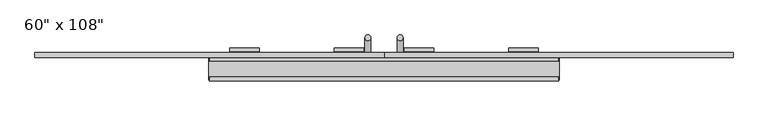
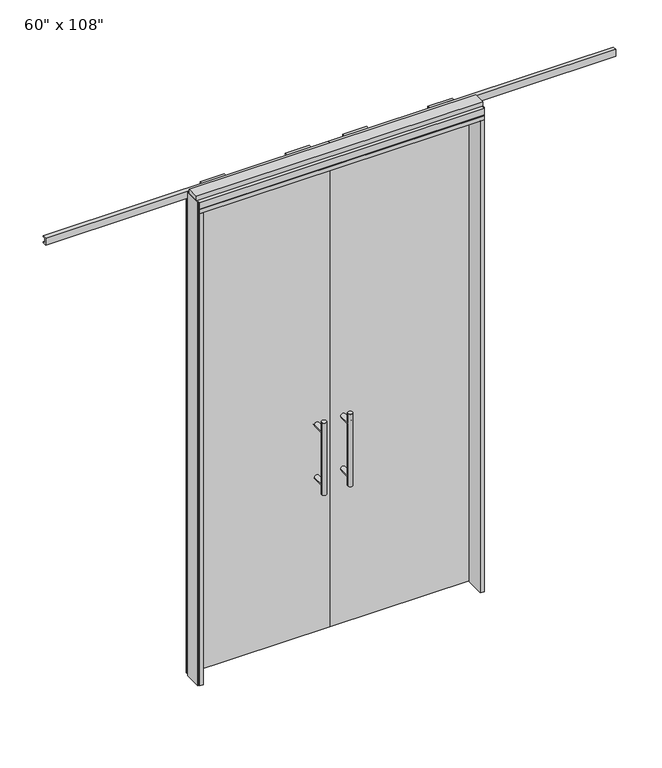
"""IFC4 building model written with IfcOpenShell, lengths in millimetres: furniture geometry."""

from ifc_helpers import new_model, si_unit, frame, origin, origin_with_axes, place, context, project, spatial, polyline, circle_curve, ellipse_curve, outline, extrude, source, transform, mapped, element, save
from ifc_brep_helpers import plane_surface, cylinder_surface, advanced_brep


def furniture_30efc96c(model_context):
    return source(origin(), model_context, "Body", "SolidModel", [
        extrude(outline(polyline([(-818.0995229, 74.3677216), (-60.0365229, 74.3677216), (-60.0365229, 64.2077216), (-818.0995229, 64.2077216), (-818.0995229, 74.3677216)])), origin_with_axes(), (0.0, 0.0, 1.0), 2670.81),
        advanced_brep(
        [(-117.3135229, -3.3562784, 1219.2), (-142.7135229, -3.3562784, 1219.2), (-117.3135229, -3.3562784, 812.8), (-142.7135229, -3.3562784, 812.8), (-142.7135229, -3.3562784, 1164.336), (-142.7135229, -3.3562784, 867.664), (-117.3135229, -3.3562784, 867.664), (-117.3135229, -3.3562784, 1164.336), (-117.3135229, 64.2077216, 1164.336), (-142.7135229, 64.2077216, 1164.336), (-117.3135229, 64.2077216, 867.664), (-142.7135229, 64.2077216, 867.664)],
        [
            (0, 1, circle_curve(frame((-130.0135229, -3.3562784, 1219.2), z_axis=(0.0, 0.0, 1.0), x_axis=(-1.0, 0.0, 0.0)), 12.7)),
            (1, 0, circle_curve(frame((-130.0135229, -3.3562784, 1219.2), z_axis=(0.0, 0.0, 1.0), x_axis=(-1.0, 0.0, 0.0)), 12.7)),
            (2, 3, circle_curve(frame((-130.0135229, -3.3562784, 812.8), z_axis=(0.0, 0.0, -1.0), x_axis=(-1.0, 0.0, 0.0)), 12.7)),
            (3, 2, circle_curve(frame((-130.0135229, -3.3562784, 812.8), z_axis=(0.0, 0.0, -1.0), x_axis=(-1.0, 0.0, 0.0)), 12.7)),
            (1, 4),
            (4, 5),
            (5, 3),
            (2, 6),
            (6, 7),
            (7, 0),
            (7, 4, ellipse_curve(frame((-130.0135229, -3.3562784, 1164.336), z_axis=(0.0, -0.707106781186565, 0.70710678118653), x_axis=(0.0, 0.70710678118653, 0.707106781186565)), 17.9605122, 12.7)),
            (6, 5, ellipse_curve(frame((-130.0135229, -3.3562784, 867.664), z_axis=(0.0, -0.707106781186565, 0.70710678118653), x_axis=(0.0, 0.70710678118653, 0.707106781186565)), 17.9605122, 12.7)),
            (4, 7, ellipse_curve(frame((-130.0135229, -3.3562784, 1164.336), z_axis=(0.0, -0.70710678118653, -0.7071067811865649), x_axis=(0.0, -0.7071067811865648, 0.7071067811865301)), 17.9605122, 12.7)),
            (5, 6, ellipse_curve(frame((-130.0135229, -3.3562784, 867.664), z_axis=(0.0, -0.70710678118653, -0.7071067811865649), x_axis=(0.0, -0.7071067811865648, 0.7071067811865301)), 17.9605122, 12.7)),
            (8, 9, circle_curve(frame((-130.0135229, 64.2077216, 1164.336), z_axis=(0.0, 1.0, 0.0), x_axis=(-1.0, 0.0, 0.0)), 12.7)),
            (9, 8, circle_curve(frame((-130.0135229, 64.2077216, 1164.336), z_axis=(0.0, 1.0, 0.0), x_axis=(-1.0, 0.0, 0.0)), 12.7)),
            (8, 7),
            (4, 9),
            (10, 11, circle_curve(frame((-130.0135229, 64.2077216, 867.664), z_axis=(0.0, 1.0, 0.0), x_axis=(-1.0, 0.0, 0.0)), 12.7)),
            (11, 10, circle_curve(frame((-130.0135229, 64.2077216, 867.664), z_axis=(0.0, 1.0, 0.0), x_axis=(-1.0, 0.0, 0.0)), 12.7)),
            (10, 6),
            (5, 11),
        ],
        [
            plane_surface(frame((-142.7135229, -3.3562784, 1219.2), z_axis=(0.0, 0.0, 1.0), x_axis=(0.0, 1.0, 0.0))),
            plane_surface(frame((-142.7135229, -3.3562784, 812.8), z_axis=(0.0, 0.0, -1.0), x_axis=(0.0, -1.0, 0.0))),
            cylinder_surface(frame((-130.0135229, -3.3562784, 812.8), z_axis=(0.0, 0.0, 1.0), x_axis=(-1.0, 0.0, 0.0)), 12.7),
            plane_surface(frame((-142.7135229, 64.2077216, 1164.336), z_axis=(0.0, 1.0, 0.0), x_axis=(0.0, 0.0, -1.0))),
            cylinder_surface(frame((-130.0135229, 64.2077216, 1164.336), z_axis=(0.0, -1.0, 0.0), x_axis=(-1.0, 0.0, 0.0)), 12.7),
            plane_surface(frame((-142.7135229, 64.2077216, 867.664), z_axis=(0.0, 1.0, 0.0), x_axis=(0.0, 0.0, -1.0))),
            cylinder_surface(frame((-130.0135229, 64.2077216, 867.664), z_axis=(0.0, -1.0, 0.0), x_axis=(-1.0, 0.0, 0.0)), 12.7),
        ],
        [
            (0, [[1, 2]]),
            (1, [[3, 4]]),
            (2, [[5, 6, 7, -3, 8, 9, 10, -2]]),
            (2, [[-10, 11, -5, -1]]),
            (2, [[-9, 12, -6, 13]]),
            (2, [[-7, 14, -8, -4]]),
            (3, [[15, 16]]),
            (4, [[17, -13, 18, -15]]),
            (4, [[-18, -11, -17, -16]]),
            (5, [[19, 20]]),
            (6, [[21, -14, 22, -19]]),
            (6, [[-22, -12, -21, -20]]),
        ],
    ),
        advanced_brep(
        [(-117.3135229, 141.9317216, 1219.2), (-142.7135229, 141.9317216, 1219.2), (-117.3135229, 141.9317216, 812.8), (-142.7135229, 141.9317216, 812.8), (-117.3135229, 141.9317216, 1164.336), (-117.3135229, 141.9317216, 867.664), (-142.7135229, 141.9317216, 867.664), (-142.7135229, 141.9317216, 1164.336), (-117.3135229, 74.3677216, 1164.336), (-142.7135229, 74.3677216, 1164.336), (-117.3135229, 74.3677216, 867.664), (-142.7135229, 74.3677216, 867.664)],
        [
            (0, 1, circle_curve(frame((-130.0135229, 141.9317216, 1219.2), z_axis=(0.0, 0.0, 1.0), x_axis=(-1.0, 0.0, 0.0)), 12.7)),
            (1, 0, circle_curve(frame((-130.0135229, 141.9317216, 1219.2), z_axis=(0.0, 0.0, 1.0), x_axis=(-1.0, 0.0, 0.0)), 12.7)),
            (2, 3, circle_curve(frame((-130.0135229, 141.9317216, 812.8), z_axis=(0.0, 0.0, -1.0), x_axis=(-1.0, 0.0, 0.0)), 12.7)),
            (3, 2, circle_curve(frame((-130.0135229, 141.9317216, 812.8), z_axis=(0.0, 0.0, -1.0), x_axis=(-1.0, 0.0, 0.0)), 12.7)),
            (0, 4),
            (4, 5),
            (5, 2),
            (3, 6),
            (6, 7),
            (7, 1),
            (7, 4, ellipse_curve(frame((-130.0135229, 141.9317216, 1164.336), z_axis=(0.0, 0.707106781186565, 0.70710678118653), x_axis=(0.0, -0.70710678118653, 0.707106781186565)), 17.9605122, 12.7)),
            (5, 6, ellipse_curve(frame((-130.0135229, 141.9317216, 867.664), z_axis=(0.0, 0.70710678118653, -0.7071067811865649), x_axis=(0.0, 0.7071067811865648, 0.7071067811865301)), 17.9605122, 12.7)),
            (4, 7, ellipse_curve(frame((-130.0135229, 141.9317216, 1164.336), z_axis=(0.0, 0.70710678118653, -0.7071067811865649), x_axis=(0.0, 0.7071067811865648, 0.7071067811865301)), 17.9605122, 12.7)),
            (6, 5, ellipse_curve(frame((-130.0135229, 141.9317216, 867.664), z_axis=(0.0, 0.707106781186565, 0.70710678118653), x_axis=(0.0, -0.70710678118653, 0.707106781186565)), 17.9605122, 12.7)),
            (8, 9, circle_curve(frame((-130.0135229, 74.3677216, 1164.336), z_axis=(0.0, -1.0, 0.0), x_axis=(-1.0, 0.0, 0.0)), 12.7)),
            (9, 8, circle_curve(frame((-130.0135229, 74.3677216, 1164.336), z_axis=(0.0, -1.0, 0.0), x_axis=(-1.0, 0.0, 0.0)), 12.7)),
            (9, 7),
            (4, 8),
            (10, 11, circle_curve(frame((-130.0135229, 74.3677216, 867.664), z_axis=(0.0, -1.0, 0.0), x_axis=(-1.0, 0.0, 0.0)), 12.7)),
            (11, 10, circle_curve(frame((-130.0135229, 74.3677216, 867.664), z_axis=(0.0, -1.0, 0.0), x_axis=(-1.0, 0.0, 0.0)), 12.7)),
            (11, 6),
            (5, 10),
        ],
        [
            plane_surface(frame((-142.7135229, 141.9317216, 1219.2), z_axis=(0.0, 0.0, 1.0), x_axis=(0.0, -1.0, 0.0))),
            plane_surface(frame((-142.7135229, 141.9317216, 812.8), z_axis=(0.0, 0.0, -1.0), x_axis=(0.0, 1.0, 0.0))),
            cylinder_surface(frame((-130.0135229, 141.9317216, 812.8), z_axis=(0.0, 0.0, 1.0), x_axis=(-1.0, 0.0, 0.0)), 12.7),
            plane_surface(frame((-142.7135229, 74.3677216, 1164.336), z_axis=(0.0, -1.0, 0.0), x_axis=(0.0, 0.0, -1.0))),
            cylinder_surface(frame((-130.0135229, 74.3677216, 1164.336), z_axis=(0.0, 1.0, 0.0), x_axis=(-1.0, 0.0, 0.0)), 12.7),
            plane_surface(frame((-142.7135229, 74.3677216, 867.664), z_axis=(0.0, -1.0, 0.0), x_axis=(0.0, 0.0, -1.0))),
            cylinder_surface(frame((-130.0135229, 74.3677216, 867.664), z_axis=(0.0, 1.0, 0.0), x_axis=(-1.0, 0.0, 0.0)), 12.7),
        ],
        [
            (0, [[1, 2]]),
            (1, [[3, 4]]),
            (2, [[-1, 5, 6, 7, -4, 8, 9, 10]]),
            (2, [[-2, -10, 11, -5]]),
            (2, [[-3, -7, 12, -8]]),
            (2, [[13, -9, 14, -6]]),
            (3, [[15, 16]]),
            (4, [[-16, 17, -13, 18]]),
            (4, [[-15, -18, -11, -17]]),
            (5, [[19, 20]]),
            (6, [[-20, 21, -12, 22]]),
            (6, [[-19, -22, -14, -21]]),
        ],
    ),
        extrude(outline(polyline([(63.1282216, 2628.9), (59.5722216, 2628.9), (59.5722216, 2676.779), (82.1782216, 2676.779), (82.1782216, 2717.8), (97.6722216, 2717.8), (97.6722216, 2628.9), (75.4472216, 2628.9), (75.4472216, 2670.81), (63.1282216, 2670.81), (63.1282216, 2628.9)])), frame((-276.3175229, 0.0, 0.0), z_axis=(1.0, 0.0, 0.0), x_axis=(0.0, 1.0, 0.0)), (0.0, 0.0, 1.0), 128.016),
        extrude(outline(polyline([(63.1282216, 2628.9), (59.5722216, 2628.9), (59.5722216, 2676.779), (82.1782216, 2676.779), (82.1782216, 2717.8), (97.6722216, 2717.8), (97.6722216, 2628.9), (75.4472216, 2628.9), (75.4472216, 2670.81), (63.1282216, 2670.81), (63.1282216, 2628.9)])), frame((-729.8345229, 0.0, 0.0), z_axis=(1.0, 0.0, 0.0), x_axis=(0.0, 1.0, 0.0)), (0.0, 0.0, 1.0), 128.016),
        extrude(outline(polyline([(77.9237216, 2681.478), (56.2067216, 2681.478), (56.2067216, 2721.102), (77.9237216, 2721.102), (77.9237216, 2715.768), (65.2237216, 2715.768), (65.2237216, 2686.812), (77.9237216, 2686.812), (77.9237216, 2681.478)])), frame((-1576.1625229, 0.0, 0.0), z_axis=(1.0, 0.0, 0.0), x_axis=(0.0, 1.0, 0.0)), (0.0, 0.0, 1.0), 1516.126),
        extrude(outline(polyline([(698.0264771, 74.3677216), (698.0264771, 64.2077216), (-60.0365229, 64.2077216), (-60.0365229, 74.3677216), (698.0264771, 74.3677216)])), origin_with_axes(), (0.0, 0.0, 1.0), 2670.81),
        advanced_brep(
        [(-2.7595229, -3.3562784, 1219.2), (22.6404771, -3.3562784, 1219.2), (-2.7595229, -3.3562784, 812.8), (22.6404771, -3.3562784, 812.8), (-2.7595229, -3.3562784, 1164.336), (-2.7595229, -3.3562784, 867.664), (22.6404771, -3.3562784, 867.664), (22.6404771, -3.3562784, 1164.336), (-2.7595229, 64.2077216, 1164.336), (22.6404771, 64.2077216, 1164.336), (-2.7595229, 64.2077216, 867.664), (22.6404771, 64.2077216, 867.664)],
        [
            (0, 1, circle_curve(frame((9.9404771, -3.3562784, 1219.2), z_axis=(0.0, 0.0, 1.0), x_axis=(1.0, 0.0, 0.0)), 12.7)),
            (1, 0, circle_curve(frame((9.9404771, -3.3562784, 1219.2), z_axis=(0.0, 0.0, 1.0), x_axis=(1.0, 0.0, 0.0)), 12.7)),
            (2, 3, circle_curve(frame((9.9404771, -3.3562784, 812.8), z_axis=(0.0, 0.0, -1.0), x_axis=(1.0, 0.0, 0.0)), 12.7)),
            (3, 2, circle_curve(frame((9.9404771, -3.3562784, 812.8), z_axis=(0.0, 0.0, -1.0), x_axis=(1.0, 0.0, 0.0)), 12.7)),
            (0, 4),
            (4, 5),
            (5, 2),
            (3, 6),
            (6, 7),
            (7, 1),
            (7, 4, ellipse_curve(frame((9.9404771, -3.3562784, 1164.336), z_axis=(0.0, -0.707106781186565, 0.70710678118653), x_axis=(0.0, 0.70710678118653, 0.707106781186565)), 17.9605122, 12.7)),
            (5, 6, ellipse_curve(frame((9.9404771, -3.3562784, 867.664), z_axis=(0.0, -0.70710678118653, -0.7071067811865649), x_axis=(0.0, -0.7071067811865648, 0.7071067811865301)), 17.9605122, 12.7)),
            (4, 7, ellipse_curve(frame((9.9404771, -3.3562784, 1164.336), z_axis=(0.0, -0.70710678118653, -0.7071067811865649), x_axis=(0.0, -0.7071067811865648, 0.7071067811865301)), 17.9605122, 12.7)),
            (6, 5, ellipse_curve(frame((9.9404771, -3.3562784, 867.664), z_axis=(0.0, -0.707106781186565, 0.70710678118653), x_axis=(0.0, 0.70710678118653, 0.707106781186565)), 17.9605122, 12.7)),
            (8, 9, circle_curve(frame((9.9404771, 64.2077216, 1164.336), z_axis=(0.0, 1.0, 0.0), x_axis=(1.0, 0.0, 0.0)), 12.7)),
            (9, 8, circle_curve(frame((9.9404771, 64.2077216, 1164.336), z_axis=(0.0, 1.0, 0.0), x_axis=(1.0, 0.0, 0.0)), 12.7)),
            (9, 7),
            (4, 8),
            (10, 11, circle_curve(frame((9.9404771, 64.2077216, 867.664), z_axis=(0.0, 1.0, 0.0), x_axis=(1.0, 0.0, 0.0)), 12.7)),
            (11, 10, circle_curve(frame((9.9404771, 64.2077216, 867.664), z_axis=(0.0, 1.0, 0.0), x_axis=(1.0, 0.0, 0.0)), 12.7)),
            (11, 6),
            (5, 10),
        ],
        [
            plane_surface(frame((22.6404771, -3.3562784, 1219.2), z_axis=(0.0, 0.0, 1.0), x_axis=(0.0, 1.0, 0.0))),
            plane_surface(frame((22.6404771, -3.3562784, 812.8), z_axis=(0.0, 0.0, -1.0), x_axis=(0.0, -1.0, 0.0))),
            cylinder_surface(frame((9.9404771, -3.3562784, 812.8), z_axis=(0.0, 0.0, 1.0), x_axis=(1.0, 0.0, 0.0)), 12.7),
            plane_surface(frame((22.6404771, 64.2077216, 1164.336), z_axis=(0.0, 1.0, 0.0), x_axis=(0.0, 0.0, -1.0))),
            cylinder_surface(frame((9.9404771, 64.2077216, 1164.336), z_axis=(0.0, -1.0, 0.0), x_axis=(1.0, 0.0, 0.0)), 12.7),
            plane_surface(frame((22.6404771, 64.2077216, 867.664), z_axis=(0.0, 1.0, 0.0), x_axis=(0.0, 0.0, -1.0))),
            cylinder_surface(frame((9.9404771, 64.2077216, 867.664), z_axis=(0.0, -1.0, 0.0), x_axis=(1.0, 0.0, 0.0)), 12.7),
        ],
        [
            (0, [[1, 2]]),
            (1, [[3, 4]]),
            (2, [[-1, 5, 6, 7, -4, 8, 9, 10]]),
            (2, [[-2, -10, 11, -5]]),
            (2, [[-3, -7, 12, -8]]),
            (2, [[13, -9, 14, -6]]),
            (3, [[15, 16]]),
            (4, [[-16, 17, -13, 18]]),
            (4, [[-15, -18, -11, -17]]),
            (5, [[19, 20]]),
            (6, [[-20, 21, -12, 22]]),
            (6, [[-19, -22, -14, -21]]),
        ],
    ),
        advanced_brep(
        [(-2.7595229, 141.9317216, 1219.2), (22.6404771, 141.9317216, 1219.2), (-2.7595229, 141.9317216, 812.8), (22.6404771, 141.9317216, 812.8), (22.6404771, 141.9317216, 1164.336), (22.6404771, 141.9317216, 867.664), (-2.7595229, 141.9317216, 867.664), (-2.7595229, 141.9317216, 1164.336), (-2.7595229, 74.3677216, 1164.336), (22.6404771, 74.3677216, 1164.336), (-2.7595229, 74.3677216, 867.664), (22.6404771, 74.3677216, 867.664)],
        [
            (0, 1, circle_curve(frame((9.9404771, 141.9317216, 1219.2), z_axis=(0.0, 0.0, 1.0), x_axis=(1.0, 0.0, 0.0)), 12.7)),
            (1, 0, circle_curve(frame((9.9404771, 141.9317216, 1219.2), z_axis=(0.0, 0.0, 1.0), x_axis=(1.0, 0.0, 0.0)), 12.7)),
            (2, 3, circle_curve(frame((9.9404771, 141.9317216, 812.8), z_axis=(0.0, 0.0, -1.0), x_axis=(1.0, 0.0, 0.0)), 12.7)),
            (3, 2, circle_curve(frame((9.9404771, 141.9317216, 812.8), z_axis=(0.0, 0.0, -1.0), x_axis=(1.0, 0.0, 0.0)), 12.7)),
            (1, 4),
            (4, 5),
            (5, 3),
            (2, 6),
            (6, 7),
            (7, 0),
            (7, 4, ellipse_curve(frame((9.9404771, 141.9317216, 1164.336), z_axis=(0.0, 0.707106781186565, 0.70710678118653), x_axis=(0.0, -0.70710678118653, 0.707106781186565)), 17.9605122, 12.7)),
            (6, 5, ellipse_curve(frame((9.9404771, 141.9317216, 867.664), z_axis=(0.0, 0.707106781186565, 0.70710678118653), x_axis=(0.0, -0.70710678118653, 0.707106781186565)), 17.9605122, 12.7)),
            (4, 7, ellipse_curve(frame((9.9404771, 141.9317216, 1164.336), z_axis=(0.0, 0.70710678118653, -0.7071067811865649), x_axis=(0.0, 0.7071067811865648, 0.7071067811865301)), 17.9605122, 12.7)),
            (5, 6, ellipse_curve(frame((9.9404771, 141.9317216, 867.664), z_axis=(0.0, 0.70710678118653, -0.7071067811865649), x_axis=(0.0, 0.7071067811865648, 0.7071067811865301)), 17.9605122, 12.7)),
            (8, 9, circle_curve(frame((9.9404771, 74.3677216, 1164.336), z_axis=(0.0, -1.0, 0.0), x_axis=(1.0, 0.0, 0.0)), 12.7)),
            (9, 8, circle_curve(frame((9.9404771, 74.3677216, 1164.336), z_axis=(0.0, -1.0, 0.0), x_axis=(1.0, 0.0, 0.0)), 12.7)),
            (8, 7),
            (4, 9),
            (10, 11, circle_curve(frame((9.9404771, 74.3677216, 867.664), z_axis=(0.0, -1.0, 0.0), x_axis=(1.0, 0.0, 0.0)), 12.7)),
            (11, 10, circle_curve(frame((9.9404771, 74.3677216, 867.664), z_axis=(0.0, -1.0, 0.0), x_axis=(1.0, 0.0, 0.0)), 12.7)),
            (10, 6),
            (5, 11),
        ],
        [
            plane_surface(frame((22.6404771, 141.9317216, 1219.2), z_axis=(0.0, 0.0, 1.0), x_axis=(0.0, -1.0, 0.0))),
            plane_surface(frame((22.6404771, 141.9317216, 812.8), z_axis=(0.0, 0.0, -1.0), x_axis=(0.0, 1.0, 0.0))),
            cylinder_surface(frame((9.9404771, 141.9317216, 812.8), z_axis=(0.0, 0.0, 1.0), x_axis=(1.0, 0.0, 0.0)), 12.7),
            plane_surface(frame((22.6404771, 74.3677216, 1164.336), z_axis=(0.0, -1.0, 0.0), x_axis=(0.0, 0.0, -1.0))),
            cylinder_surface(frame((9.9404771, 74.3677216, 1164.336), z_axis=(0.0, 1.0, 0.0), x_axis=(1.0, 0.0, 0.0)), 12.7),
            plane_surface(frame((22.6404771, 74.3677216, 867.664), z_axis=(0.0, -1.0, 0.0), x_axis=(0.0, 0.0, -1.0))),
            cylinder_surface(frame((9.9404771, 74.3677216, 867.664), z_axis=(0.0, 1.0, 0.0), x_axis=(1.0, 0.0, 0.0)), 12.7),
        ],
        [
            (0, [[1, 2]]),
            (1, [[3, 4]]),
            (2, [[5, 6, 7, -3, 8, 9, 10, -2]]),
            (2, [[-10, 11, -5, -1]]),
            (2, [[-9, 12, -6, 13]]),
            (2, [[-7, 14, -8, -4]]),
            (3, [[15, 16]]),
            (4, [[17, -13, 18, -15]]),
            (4, [[-18, -11, -17, -16]]),
            (5, [[19, 20]]),
            (6, [[21, -14, 22, -19]]),
            (6, [[-22, -12, -21, -20]]),
        ],
    ),
        extrude(outline(polyline([(63.1282216, 2628.9), (59.5722216, 2628.9), (59.5722216, 2676.779), (82.1782216, 2676.779), (82.1782216, 2717.8), (97.6722216, 2717.8), (97.6722216, 2628.9), (75.4472216, 2628.9), (75.4472216, 2670.81), (63.1282216, 2670.81), (63.1282216, 2628.9)])), frame((28.2284771, 0.0, 0.0), z_axis=(1.0, 0.0, 0.0), x_axis=(0.0, 1.0, 0.0)), (0.0, 0.0, 1.0), 128.016),
        extrude(outline(polyline([(63.1282216, 2628.9), (59.5722216, 2628.9), (59.5722216, 2676.779), (82.1782216, 2676.779), (82.1782216, 2717.8), (97.6722216, 2717.8), (97.6722216, 2628.9), (75.4472216, 2628.9), (75.4472216, 2670.81), (63.1282216, 2670.81), (63.1282216, 2628.9)])), frame((481.7454771, 0.0, 0.0), z_axis=(1.0, 0.0, 0.0), x_axis=(0.0, 1.0, 0.0)), (0.0, 0.0, 1.0), 128.016),
        extrude(outline(polyline([(77.9237216, 2681.478), (56.2067216, 2681.478), (56.2067216, 2721.102), (77.9237216, 2721.102), (77.9237216, 2715.768), (65.2237216, 2715.768), (65.2237216, 2686.812), (77.9237216, 2686.812), (77.9237216, 2681.478)])), frame((-60.0365229, 0.0, 0.0), z_axis=(1.0, 0.0, 0.0), x_axis=(0.0, 1.0, 0.0)), (0.0, 0.0, 1.0), 1516.126),
        extrude(outline(polyline([(-818.0995229, 55.3177216), (698.0264771, 55.3177216), (698.0264771, -46.2822784), (-818.0995229, -46.2822784), (-818.0995229, 55.3177216)])), frame((0.0, 0.0, 2654.3), z_axis=(0.0, 0.0, 1.0), x_axis=(1.0, 0.0, 0.0)), (0.0, 0.0, 1.0), 22.225),
        extrude(outline(polyline([(701.9634771, 50.3647216), (701.9634771, -41.3292784), (698.0264771, -41.3292784), (698.0264771, 50.3647216), (701.9634771, 50.3647216)])), origin_with_axes(), (0.0, 0.0, 1.0), 2717.8),
        extrude(outline(polyline([(-822.0365229, 50.3647216), (-818.0995229, 50.3647216), (-818.0995229, -41.3292784), (-822.0365229, -41.3292784), (-822.0365229, 50.3647216)])), origin_with_axes(), (0.0, 0.0, 1.0), 2717.8),
        extrude(outline(polyline([(675.8014771, 55.3177216), (698.0264771, 55.3177216), (698.0264771, -46.2822784), (675.8014771, -46.2822784), (675.8014771, 55.3177216)])), origin_with_axes(), (0.0, 0.0, 1.0), 2654.3),
        extrude(outline(polyline([(-795.8745229, 55.3177216), (-795.8745229, -46.2822784), (-818.0995229, -46.2822784), (-818.0995229, 55.3177216), (-795.8745229, 55.3177216)])), origin_with_axes(), (0.0, 0.0, 1.0), 2654.3),
        extrude(outline(polyline([(55.3177216, 2681.478), (50.3647216, 2681.478), (50.3647216, 2676.525), (-41.3292784, 2676.525), (-41.3292784, 2681.478), (-46.2822784, 2681.478), (-46.2822784, 2717.8), (55.3177216, 2717.8), (55.3177216, 2681.478)])), frame((-818.0995229, 0.0, 0.0), z_axis=(1.0, 0.0, 0.0), x_axis=(0.0, 1.0, 0.0)), (0.0, 0.0, 1.0), 1516.126),
        extrude(outline(polyline([(-822.0365229, 37.0297216), (701.9634771, 37.0297216), (701.9634771, -27.9942784), (-822.0365229, -27.9942784), (-822.0365229, 37.0297216)])), frame((0.0, 0.0, 2717.8), z_axis=(0.0, 0.0, 1.0), x_axis=(1.0, 0.0, 0.0)), (0.0, 0.0, 1.0), 25.4),
    ])


if __name__ == "__main__":
    model = new_model("IFC4")
    model_context = context("Model", 3, world=origin())
    ifc_project = project(units=[si_unit("LENGTHUNIT", "METRE", prefix="MILLI")], contexts=[model_context])
    site = spatial("IfcSite", under=ifc_project)
    building = spatial("IfcBuilding", under=site)
    placement = place(None, origin())
    furniture_shape = furniture_30efc96c(model_context)
    element("IfcFurniture", 1, ObjectType="60\" x 108\"", at=placement, inside=building, context=model_context, shape_type="MappedRepresentation", body=[
        mapped(furniture_shape, transform((0.0, 0.0, 0.0), x_axis=(1.0, 0.0, 0.0), y_axis=(0.0, 1.0, 0.0), z_axis=(0.0, 0.0, 1.0))),
    ])
    save(model, "model.ifc")
